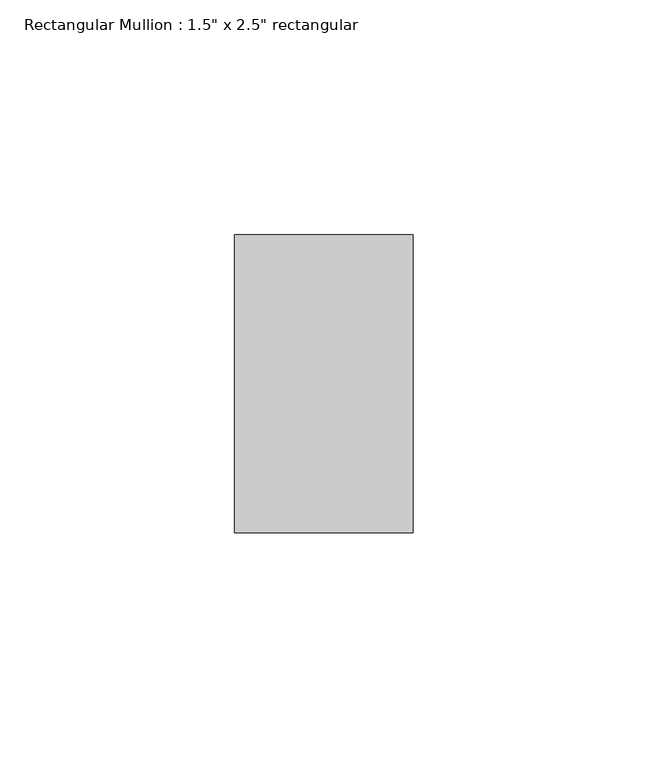
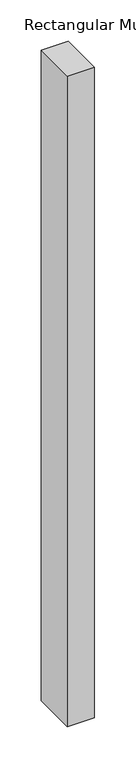
"""IFC4 building model written with IfcOpenShell, lengths in millimetres: member geometry."""

from ifc_helpers import new_model, si_unit, frame, origin, place, context, project, spatial, polyline, outline, extrude, source, transform, mapped, element, save


def member_1ede677d(model_context):
    return source(origin(), model_context, "Body", "SweptSolid", [
        extrude(outline(polyline([(19.05, 31.75), (19.05, -31.75), (-19.05, -31.75), (-19.05, 31.75), (19.05, 31.75)])), frame((0.0, 0.0, -965.2), z_axis=(0.0, 0.0, 1.0), x_axis=(1.0, 0.0, 0.0)), (0.0, 0.0, 1.0), 965.2),
    ])


if __name__ == "__main__":
    model = new_model("IFC4")
    model_context = context("Model", 3, world=origin())
    ifc_project = project(units=[si_unit("LENGTHUNIT", "METRE", prefix="MILLI")], contexts=[model_context])
    site = spatial("IfcSite", under=ifc_project)
    building = spatial("IfcBuilding", under=site)
    placement = place(None, origin())
    member_shape = member_1ede677d(model_context)
    element("IfcMember", 1, ObjectType="Rectangular Mullion : 1.5\" x 2.5\" rectangular", at=placement, inside=building, context=model_context, shape_type="MappedRepresentation", body=[
        mapped(member_shape, transform((0.0, 0.0, 0.0), x_axis=(1.0, 0.0, 0.0), y_axis=(0.0, 1.0, 0.0), z_axis=(0.0, 0.0, 1.0))),
    ])
    save(model, "model.ifc")
